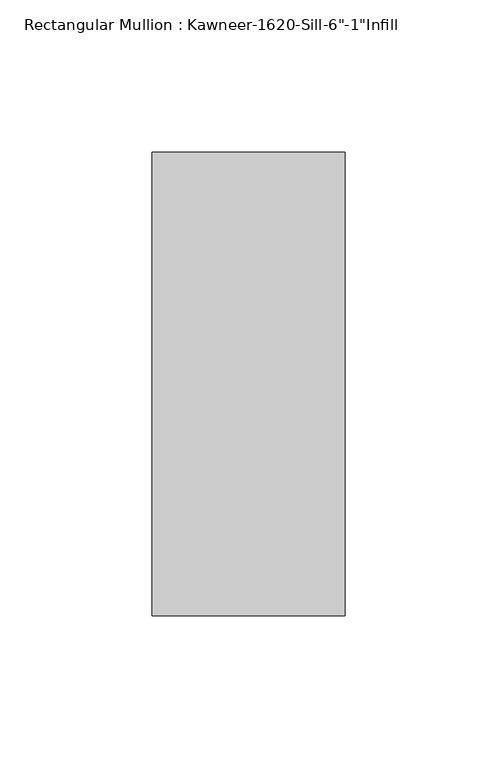
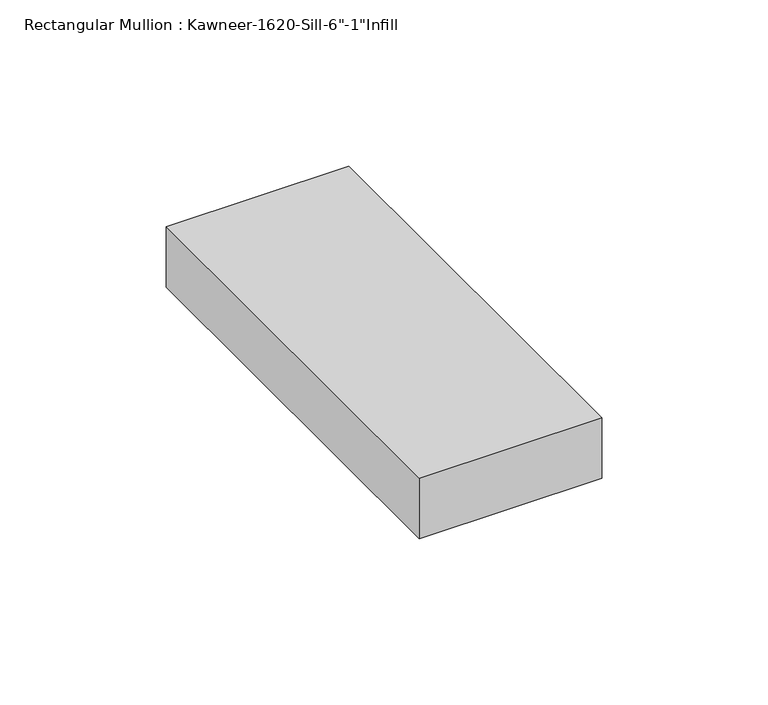
"""IFC4 building model written with IfcOpenShell, lengths in millimetres: member geometry."""

from ifc_helpers import new_model, si_unit, frame, origin, place, context, project, spatial, polyline, outline, extrude, source, transform, mapped, element, save


def member_a38f79d9(model_context):
    return source(origin(), model_context, "Body", "SweptSolid", [
        extrude(outline(polyline([(-63.5, 38.1), (0.0, 38.1), (0.0, -114.3), (-63.5, -114.3), (-63.5, 38.1)])), frame((0.0, 0.0, -22.225), z_axis=(0.0, 0.0, 1.0), x_axis=(1.0, 0.0, 0.0)), (0.0, 0.0, 1.0), 22.225),
    ])


if __name__ == "__main__":
    model = new_model("IFC4")
    model_context = context("Model", 3, world=origin())
    ifc_project = project(units=[si_unit("LENGTHUNIT", "METRE", prefix="MILLI")], contexts=[model_context])
    site = spatial("IfcSite", under=ifc_project)
    building = spatial("IfcBuilding", under=site)
    placement = place(None, origin())
    member_shape = member_a38f79d9(model_context)
    element("IfcMember", 1, ObjectType="Rectangular Mullion : Kawneer-1620-Sill-6\"-1\"Infill", at=placement, inside=building, context=model_context, shape_type="MappedRepresentation", body=[
        mapped(member_shape, transform((0.0, 0.0, 0.0), x_axis=(1.0, 0.0, 0.0), y_axis=(0.0, 1.0, 0.0), z_axis=(0.0, 0.0, 1.0))),
    ])
    save(model, "model.ifc")
